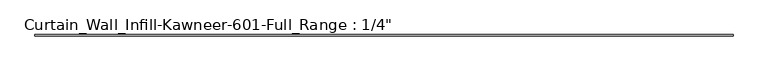
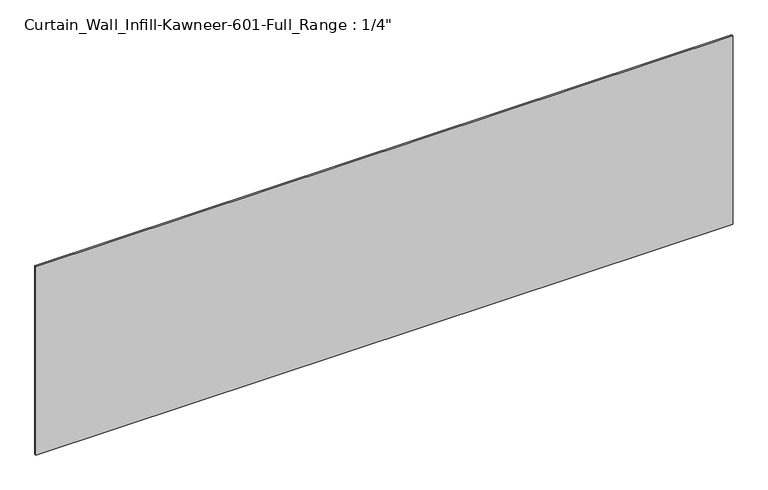
"""IFC4 building model written with IfcOpenShell, lengths in millimetres: plate geometry."""

from ifc_helpers import new_model, si_unit, origin, origin_with_axes, place, context, project, spatial, polyline, outline, extrude, source, transform, mapped, element, save


def plate_3e7f6d5e(model_context):
    return source(origin(), model_context, "Body", "SweptSolid", [
        extrude(outline(polyline([(-1473.2, 0.0), (-1473.2, 6.35), (1473.2, 6.35), (1473.2, 0.0), (-1473.2, 0.0)])), origin_with_axes(), (0.0, 0.0, 1.0), 841.375),
    ])


if __name__ == "__main__":
    model = new_model("IFC4")
    model_context = context("Model", 3, world=origin())
    ifc_project = project(units=[si_unit("LENGTHUNIT", "METRE", prefix="MILLI")], contexts=[model_context])
    site = spatial("IfcSite", under=ifc_project)
    building = spatial("IfcBuilding", under=site)
    placement = place(None, origin())
    plate_shape = plate_3e7f6d5e(model_context)
    element("IfcPlate", 1, ObjectType="Curtain_Wall_Infill-Kawneer-601-Full_Range : 1/4\"", at=placement, inside=building, context=model_context, shape_type="MappedRepresentation", body=[
        mapped(plate_shape, transform((0.0, 0.0, 0.0), x_axis=(1.0, 0.0, 0.0), y_axis=(0.0, 1.0, 0.0), z_axis=(0.0, 0.0, 1.0))),
    ])
    save(model, "model.ifc")
